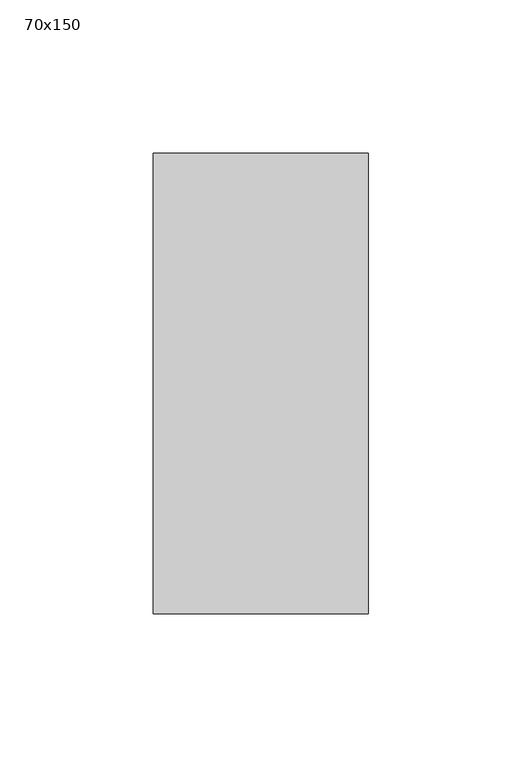
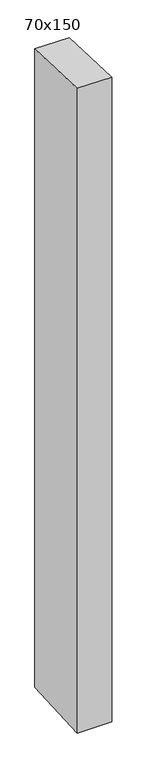
"""IFC4 building model written with IfcOpenShell, lengths in millimetres: member geometry, 70x150."""

import ifcopenshell
import ifcopenshell.guid

model = None  # the IFC model being written
_history = None  # IfcOwnerHistory: only IFC2X3 demands one
_inside = {}  # id of a spatial element -> (the spatial element, [elements in it])
_under = {}  # id of a project, library or spatial element -> (it, [spatial elements below it])
_declared = {}  # id of a project -> (the project, [libraries it declares])
_typed = {}  # id of a type object -> (the type object, [elements of that type])
_made_of = {}  # id of a material, layer set ... -> (it, [elements and type objects made of it])


def new_model(schema):
    """Start an empty IFC model of exactly this schema.

    Asked for "IFC4X3", IfcOpenShell would pick the latest addendum, in which some entities
    have other attributes; the version numbers below select the first issue.
    IFC2X3 requires an IfcOwnerHistory on every rooted entity: one is made here for all.
    """
    global model, _history
    if schema == "IFC4X3":
        model = ifcopenshell.file(schema_version=(4, 3, 0, 0))
    else:
        model = ifcopenshell.file(schema=schema)
    _inside.clear()
    _under.clear()
    _declared.clear()
    _typed.clear()
    _made_of.clear()
    _history = None
    if model.schema == "IFC2X3":
        org = make("IfcOrganization", Name="unknown")
        user = make(
            "IfcPersonAndOrganization",
            ThePerson=make("IfcPerson", FamilyName="unknown"),
            TheOrganization=org,
        )
        app = make(
            "IfcApplication",
            ApplicationDeveloper=org,
            Version="unknown",
            ApplicationFullName="unknown",
            ApplicationIdentifier="unknown",
        )
        _history = make(
            "IfcOwnerHistory",
            OwningUser=user,
            OwningApplication=app,
            ChangeAction="ADDED",
            CreationDate=0,
        )
    return model


def make(cls, **values):
    """One entity of the class cls with the attributes given. An attribute that is None is left unset."""
    return model.create_entity(
        cls, **{name: value for name, value in values.items() if value is not None}
    )


def rooted(cls, **values):
    """An entity with a GlobalId (a new one), such as an element, a storey or a relation."""
    return make(cls, GlobalId=ifcopenshell.guid.new(), OwnerHistory=_history, **values)


def si_unit(unit_type, name, prefix=None):
    """IfcSIUnit, for example si_unit("LENGTHUNIT", "METRE", prefix="MILLI")."""
    return make("IfcSIUnit", UnitType=unit_type, Prefix=prefix, Name=name)


def assignment(units):
    """IfcUnitAssignment: the units of a project."""
    return None if units is None else make("IfcUnitAssignment", Units=units)


def point(xyz):
    """IfcCartesianPoint."""
    return None if xyz is None else make("IfcCartesianPoint", Coordinates=xyz)


def direction(xyz):
    """IfcDirection."""
    return None if xyz is None else make("IfcDirection", DirectionRatios=xyz)


def frame(location, z_axis=None, x_axis=None):
    """IfcAxis2Placement3D, a coordinate frame: its origin and axes. An axis left out is left unset."""
    return make(
        "IfcAxis2Placement3D",
        Location=point(location),
        Axis=direction(z_axis),
        RefDirection=direction(x_axis),
    )


def origin():
    """The frame at (0, 0, 0) with its axes left unset."""
    return frame((0.0, 0.0, 0.0))


def place(relative_to, where):
    """IfcLocalPlacement: puts the frame where relative to a parent placement (None: the world)."""
    return make(
        "IfcLocalPlacement", PlacementRelTo=relative_to, RelativePlacement=where
    )


def context(
    kind, dimensions, precision=None, world=None, true_north=None, identifier=None
):
    """IfcGeometricRepresentationContext, for example the 3D "Model" context."""
    return make(
        "IfcGeometricRepresentationContext",
        ContextIdentifier=identifier,
        ContextType=kind,
        CoordinateSpaceDimension=dimensions,
        Precision=precision,
        WorldCoordinateSystem=world,
        TrueNorth=true_north,
    )


def project(units=None, contexts=None):
    """IfcProject with its units and contexts."""
    return rooted(
        "IfcProject",
        Name="project",
        RepresentationContexts=contexts,
        UnitsInContext=assignment(units),
    )


def spatial(cls, under=None, at=None, **own):
    """A site, building, storey or space (cls), placed at a placement, below another one or the project."""
    s = rooted(cls, ObjectPlacement=at, **own)
    if under is not None:
        _under.setdefault(under.id(), (under, []))[1].append(s)
    return s


def polyline(points):
    """IfcPolyline through the points."""
    return make("IfcPolyline", Points=[point(p) for p in points])


def outline(outer, holes=None, kind="AREA"):
    """IfcArbitraryClosedProfileDef: a profile drawn as a closed curve; with holes, ...WithVoids."""
    if holes is None:
        return make("IfcArbitraryClosedProfileDef", ProfileType=kind, OuterCurve=outer)
    return make(
        "IfcArbitraryProfileDefWithVoids",
        ProfileType=kind,
        OuterCurve=outer,
        InnerCurves=holes,
    )


def extrude(swept, where, along, depth):
    """IfcExtrudedAreaSolid: the profile swept, set in the frame where, extruded along a direction by depth."""
    return make(
        "IfcExtrudedAreaSolid",
        SweptArea=swept,
        Position=where,
        ExtrudedDirection=direction(along),
        Depth=depth,
    )


def shape(context_of_items, identifier, shape_type, items):
    """IfcShapeRepresentation: the items that make up one representation, for example the "Body"."""
    return make(
        "IfcShapeRepresentation",
        ContextOfItems=context_of_items,
        RepresentationIdentifier=identifier,
        RepresentationType=shape_type,
        Items=items,
    )


def source(mapping_origin, context_of_items, identifier, shape_type, items):
    """IfcRepresentationMap: a shape defined once, which mapped items show again and again."""
    return make(
        "IfcRepresentationMap",
        MappingOrigin=mapping_origin,
        MappedRepresentation=shape(context_of_items, identifier, shape_type, items),
    )


def transform(
    local_origin,
    x_axis=None,
    y_axis=None,
    z_axis=None,
    scale=None,
    scale2=None,
    scale3=None,
    uniform=True,
):
    """IfcCartesianTransformationOperator3D, or its non-uniform kind. x_axis, y_axis, z_axis: its Axis1, 2, 3."""
    if uniform:
        return make(
            "IfcCartesianTransformationOperator3D",
            Axis1=direction(x_axis),
            Axis2=direction(y_axis),
            LocalOrigin=point(local_origin),
            Scale=scale,
            Axis3=direction(z_axis),
        )
    return make(
        "IfcCartesianTransformationOperator3DnonUniform",
        Axis1=direction(x_axis),
        Axis2=direction(y_axis),
        LocalOrigin=point(local_origin),
        Scale=scale,
        Axis3=direction(z_axis),
        Scale2=scale2,
        Scale3=scale3,
    )


def mapped(mapping_source, mapping_target):
    """IfcMappedItem: shows the shape of a source again, moved by a transform."""
    return make(
        "IfcMappedItem", MappingSource=mapping_source, MappingTarget=mapping_target
    )


def made_of(thing, what):
    """Note that an element or type object is made of a material, layer set ...; save() writes the relation."""
    if what is not None:
        _made_of.setdefault(what.id(), (what, []))[1].append(thing)
    return thing


def element(
    cls,
    number,
    at=None,
    inside=None,
    cuts=None,
    type_object=None,
    material=None,
    context=None,
    identifier="Body",
    shape_type=None,
    held_by="IfcProductDefinitionShape",
    body=None,
    shapes=None,
    **own,
):
    """One element of the class cls, such as IfcWall. Its Tag is "e" and its number.

    at: its placement. inside: the storey or other place that contains it. cuts: it is an
    opening in that element (IfcRelVoidsElement). A single representation is given by context,
    identifier, shape_type and body (its items); several are given by shapes. held_by: the class
    of the entity that holds the representations. save() writes the other relations.
    """
    e = rooted(cls, Tag="e%d" % number, ObjectPlacement=at, **own)
    if body is not None:
        shapes = [shape(context, identifier, shape_type, body)]
    if shapes is not None:
        e.Representation = make(held_by, Representations=shapes)
    if inside is not None:
        _inside.setdefault(inside.id(), (inside, []))[1].append(e)
    if cuts is not None:
        rooted(
            "IfcRelVoidsElement", RelatingBuildingElement=cuts, RelatedOpeningElement=e
        )
    if type_object is not None:
        _typed.setdefault(type_object.id(), (type_object, []))[1].append(e)
    return made_of(e, material)


def aggregate(whole, parts):
    """IfcRelAggregates: a whole, such as a stair, and the parts it consists of."""
    return rooted("IfcRelAggregates", RelatingObject=whole, RelatedObjects=parts)


def save(model, path):
    """Write the relations noted so far, then the file.

    IfcRelAggregates (storeys below a building ...), IfcRelContainedInSpatialStructure (elements
    in a storey), IfcRelDefinesByType, IfcRelAssociatesMaterial and IfcRelDeclares: one each for
    every whole, place, type object, material and project.
    """
    for whole, parts in _under.values():
        aggregate(whole, parts)
    for where, things in _inside.values():
        rooted(
            "IfcRelContainedInSpatialStructure",
            RelatedElements=things,
            RelatingStructure=where,
        )
    for kind, things in _typed.values():
        rooted("IfcRelDefinesByType", RelatedObjects=things, RelatingType=kind)
    for what, things in _made_of.values():
        rooted("IfcRelAssociatesMaterial", RelatedObjects=things, RelatingMaterial=what)
    for by, libraries in _declared.values():
        rooted("IfcRelDeclares", RelatingContext=by, RelatedDefinitions=libraries)
    model.write(path)


def member_70x150_61c1a13f(model_context):
    return source(origin(), model_context, "Body", "SweptSolid", [
        extrude(outline(polyline([(-75.0, 2.9010001), (75.0, -2.9010001), (75.0, -1380.1826272), (-75.0, -1387.6974492), (-75.0, 2.9010001)])), frame((-70.0, 0.0, 0.0), z_axis=(1.0, 0.0, 0.0), x_axis=(0.0, 1.0, 0.0)), (0.0, 0.0, 1.0), 70.0),
    ])


if __name__ == "__main__":
    model = new_model("IFC4")
    model_context = context("Model", 3, world=origin())
    ifc_project = project(units=[si_unit("LENGTHUNIT", "METRE", prefix="MILLI")], contexts=[model_context])
    site = spatial("IfcSite", under=ifc_project)
    building = spatial("IfcBuilding", under=site)
    placement = place(None, origin())
    member_70x150_shape = member_70x150_61c1a13f(model_context)
    element("IfcMember", 1, ObjectType="70x150", at=placement, inside=building, context=model_context, shape_type="MappedRepresentation", body=[
        mapped(member_70x150_shape, transform((0.0, 0.0, 0.0), x_axis=(1.0, 0.0, 0.0), y_axis=(0.0, 1.0, 0.0), z_axis=(0.0, 0.0, 1.0))),
    ])
    save(model, "model.ifc")
